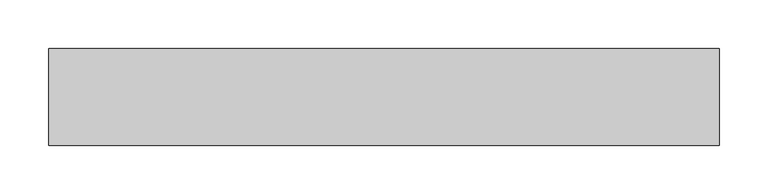
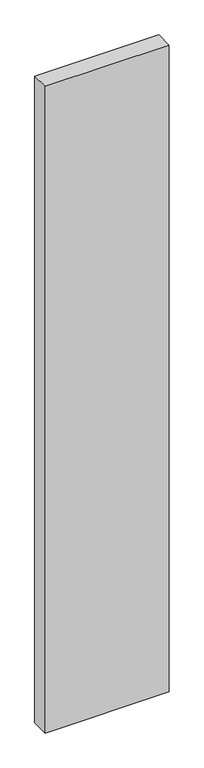
"""IFC4 building model written with IfcOpenShell, lengths in millimetres: proxy geometry."""

from ifc_helpers import new_model, si_unit, frame, origin, place, context, project, spatial, polyline, outline, extrude, source, transform, mapped, element, save


def generic_models_8121aa74(model_context):
    return source(origin(), model_context, "Body", "SweptSolid", [
        extrude(outline(polyline([(690.0, 100.0), (690.0, 0.0), (0.0, 0.0), (0.0, 100.0), (690.0, 100.0)])), frame((0.0, 0.0, -3800.0), z_axis=(0.0, 0.0, 1.0), x_axis=(1.0, 0.0, 0.0)), (0.0, 0.0, 1.0), 3800.0),
    ])


if __name__ == "__main__":
    model = new_model("IFC4")
    model_context = context("Model", 3, world=origin())
    ifc_project = project(units=[si_unit("LENGTHUNIT", "METRE", prefix="MILLI")], contexts=[model_context])
    site = spatial("IfcSite", under=ifc_project)
    building = spatial("IfcBuilding", under=site)
    placement = place(None, origin())
    generic_models_shape = generic_models_8121aa74(model_context)
    element("IfcBuildingElementProxy", 1, Name="Generic Models", at=placement, inside=building, context=model_context, shape_type="MappedRepresentation", body=[
        mapped(generic_models_shape, transform((0.0, 0.0, 0.0), x_axis=(1.0, 0.0, 0.0), y_axis=(0.0, 1.0, 0.0), z_axis=(0.0, 0.0, 1.0))),
    ])
    save(model, "model.ifc")
